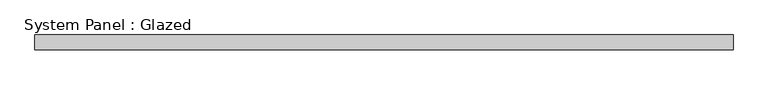
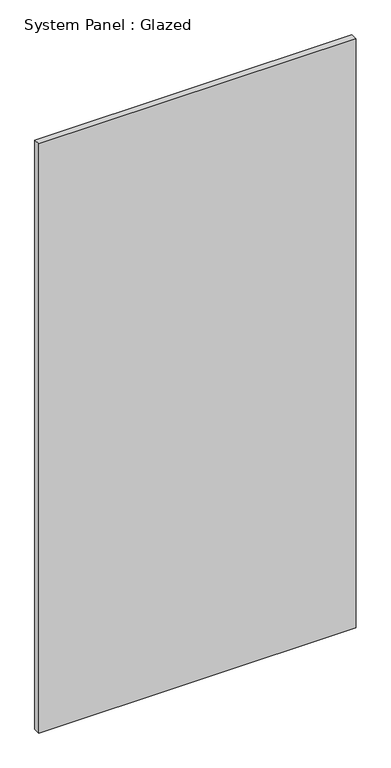
"""IFC4 building model written with IfcOpenShell, lengths in millimetres: plate geometry, System Panel : Glazed."""

from ifc_helpers import new_model, si_unit, origin, origin_with_axes, place, context, project, spatial, polyline, outline, extrude, source, transform, mapped, element, save


def system_panel_glazed_ad5a246f(model_context):
    return source(origin(), model_context, "Body", "SweptSolid", [
        extrude(outline(polyline([(596.9, 19.05), (-596.9, 19.05), (-596.9, 44.45), (596.9, 44.45), (596.9, 19.05)])), origin_with_axes(), (0.0, 0.0, 1.0), 2343.15),
    ])


if __name__ == "__main__":
    model = new_model("IFC4")
    model_context = context("Model", 3, world=origin())
    ifc_project = project(units=[si_unit("LENGTHUNIT", "METRE", prefix="MILLI")], contexts=[model_context])
    site = spatial("IfcSite", under=ifc_project)
    building = spatial("IfcBuilding", under=site)
    placement = place(None, origin())
    system_panel_glazed_shape = system_panel_glazed_ad5a246f(model_context)
    element("IfcPlate", 1, ObjectType="System Panel : Glazed", at=placement, inside=building, context=model_context, shape_type="MappedRepresentation", body=[
        mapped(system_panel_glazed_shape, transform((0.0, 0.0, 0.0), x_axis=(1.0, 0.0, 0.0), y_axis=(0.0, 1.0, 0.0), z_axis=(0.0, 0.0, 1.0))),
    ])
    save(model, "model.ifc")
